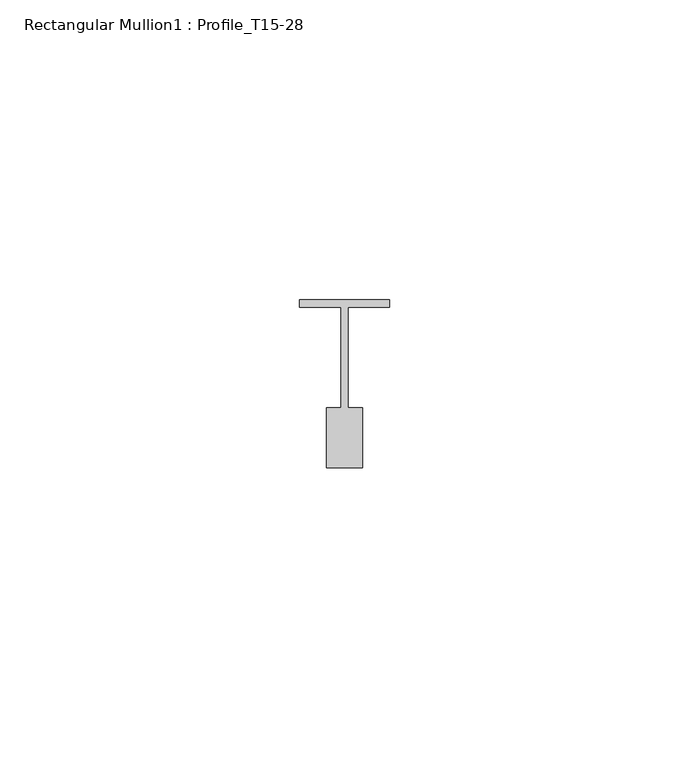
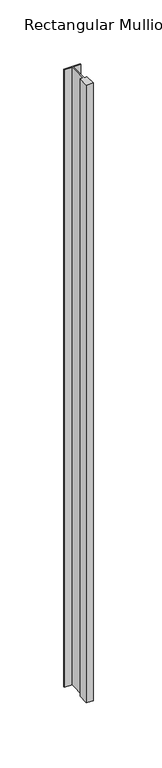
"""IFC4 building model written with IfcOpenShell, lengths in millimetres: member geometry, Rectangular Mullion1 : Profile_T15-28."""

import ifcopenshell
import ifcopenshell.guid

model = None  # the IFC model being written
_history = None  # IfcOwnerHistory: only IFC2X3 demands one
_inside = {}  # id of a spatial element -> (the spatial element, [elements in it])
_under = {}  # id of a project, library or spatial element -> (it, [spatial elements below it])
_declared = {}  # id of a project -> (the project, [libraries it declares])
_typed = {}  # id of a type object -> (the type object, [elements of that type])
_made_of = {}  # id of a material, layer set ... -> (it, [elements and type objects made of it])


def new_model(schema):
    """Start an empty IFC model of exactly this schema.

    Asked for "IFC4X3", IfcOpenShell would pick the latest addendum, in which some entities
    have other attributes; the version numbers below select the first issue.
    IFC2X3 requires an IfcOwnerHistory on every rooted entity: one is made here for all.
    """
    global model, _history
    if schema == "IFC4X3":
        model = ifcopenshell.file(schema_version=(4, 3, 0, 0))
    else:
        model = ifcopenshell.file(schema=schema)
    _inside.clear()
    _under.clear()
    _declared.clear()
    _typed.clear()
    _made_of.clear()
    _history = None
    if model.schema == "IFC2X3":
        org = make("IfcOrganization", Name="unknown")
        user = make(
            "IfcPersonAndOrganization",
            ThePerson=make("IfcPerson", FamilyName="unknown"),
            TheOrganization=org,
        )
        app = make(
            "IfcApplication",
            ApplicationDeveloper=org,
            Version="unknown",
            ApplicationFullName="unknown",
            ApplicationIdentifier="unknown",
        )
        _history = make(
            "IfcOwnerHistory",
            OwningUser=user,
            OwningApplication=app,
            ChangeAction="ADDED",
            CreationDate=0,
        )
    return model


def make(cls, **values):
    """One entity of the class cls with the attributes given. An attribute that is None is left unset."""
    return model.create_entity(
        cls, **{name: value for name, value in values.items() if value is not None}
    )


def rooted(cls, **values):
    """An entity with a GlobalId (a new one), such as an element, a storey or a relation."""
    return make(cls, GlobalId=ifcopenshell.guid.new(), OwnerHistory=_history, **values)


def si_unit(unit_type, name, prefix=None):
    """IfcSIUnit, for example si_unit("LENGTHUNIT", "METRE", prefix="MILLI")."""
    return make("IfcSIUnit", UnitType=unit_type, Prefix=prefix, Name=name)


def assignment(units):
    """IfcUnitAssignment: the units of a project."""
    return None if units is None else make("IfcUnitAssignment", Units=units)


def point(xyz):
    """IfcCartesianPoint."""
    return None if xyz is None else make("IfcCartesianPoint", Coordinates=xyz)


def direction(xyz):
    """IfcDirection."""
    return None if xyz is None else make("IfcDirection", DirectionRatios=xyz)


def frame(location, z_axis=None, x_axis=None):
    """IfcAxis2Placement3D, a coordinate frame: its origin and axes. An axis left out is left unset."""
    return make(
        "IfcAxis2Placement3D",
        Location=point(location),
        Axis=direction(z_axis),
        RefDirection=direction(x_axis),
    )


def origin():
    """The frame at (0, 0, 0) with its axes left unset."""
    return frame((0.0, 0.0, 0.0))


def place(relative_to, where):
    """IfcLocalPlacement: puts the frame where relative to a parent placement (None: the world)."""
    return make(
        "IfcLocalPlacement", PlacementRelTo=relative_to, RelativePlacement=where
    )


def context(
    kind, dimensions, precision=None, world=None, true_north=None, identifier=None
):
    """IfcGeometricRepresentationContext, for example the 3D "Model" context."""
    return make(
        "IfcGeometricRepresentationContext",
        ContextIdentifier=identifier,
        ContextType=kind,
        CoordinateSpaceDimension=dimensions,
        Precision=precision,
        WorldCoordinateSystem=world,
        TrueNorth=true_north,
    )


def project(units=None, contexts=None):
    """IfcProject with its units and contexts."""
    return rooted(
        "IfcProject",
        Name="project",
        RepresentationContexts=contexts,
        UnitsInContext=assignment(units),
    )


def spatial(cls, under=None, at=None, **own):
    """A site, building, storey or space (cls), placed at a placement, below another one or the project."""
    s = rooted(cls, ObjectPlacement=at, **own)
    if under is not None:
        _under.setdefault(under.id(), (under, []))[1].append(s)
    return s


def polyline(points):
    """IfcPolyline through the points."""
    return make("IfcPolyline", Points=[point(p) for p in points])


def outline(outer, holes=None, kind="AREA"):
    """IfcArbitraryClosedProfileDef: a profile drawn as a closed curve; with holes, ...WithVoids."""
    if holes is None:
        return make("IfcArbitraryClosedProfileDef", ProfileType=kind, OuterCurve=outer)
    return make(
        "IfcArbitraryProfileDefWithVoids",
        ProfileType=kind,
        OuterCurve=outer,
        InnerCurves=holes,
    )


def extrude(swept, where, along, depth):
    """IfcExtrudedAreaSolid: the profile swept, set in the frame where, extruded along a direction by depth."""
    return make(
        "IfcExtrudedAreaSolid",
        SweptArea=swept,
        Position=where,
        ExtrudedDirection=direction(along),
        Depth=depth,
    )


def shape(context_of_items, identifier, shape_type, items):
    """IfcShapeRepresentation: the items that make up one representation, for example the "Body"."""
    return make(
        "IfcShapeRepresentation",
        ContextOfItems=context_of_items,
        RepresentationIdentifier=identifier,
        RepresentationType=shape_type,
        Items=items,
    )


def source(mapping_origin, context_of_items, identifier, shape_type, items):
    """IfcRepresentationMap: a shape defined once, which mapped items show again and again."""
    return make(
        "IfcRepresentationMap",
        MappingOrigin=mapping_origin,
        MappedRepresentation=shape(context_of_items, identifier, shape_type, items),
    )


def transform(
    local_origin,
    x_axis=None,
    y_axis=None,
    z_axis=None,
    scale=None,
    scale2=None,
    scale3=None,
    uniform=True,
):
    """IfcCartesianTransformationOperator3D, or its non-uniform kind. x_axis, y_axis, z_axis: its Axis1, 2, 3."""
    if uniform:
        return make(
            "IfcCartesianTransformationOperator3D",
            Axis1=direction(x_axis),
            Axis2=direction(y_axis),
            LocalOrigin=point(local_origin),
            Scale=scale,
            Axis3=direction(z_axis),
        )
    return make(
        "IfcCartesianTransformationOperator3DnonUniform",
        Axis1=direction(x_axis),
        Axis2=direction(y_axis),
        LocalOrigin=point(local_origin),
        Scale=scale,
        Axis3=direction(z_axis),
        Scale2=scale2,
        Scale3=scale3,
    )


def mapped(mapping_source, mapping_target):
    """IfcMappedItem: shows the shape of a source again, moved by a transform."""
    return make(
        "IfcMappedItem", MappingSource=mapping_source, MappingTarget=mapping_target
    )


def made_of(thing, what):
    """Note that an element or type object is made of a material, layer set ...; save() writes the relation."""
    if what is not None:
        _made_of.setdefault(what.id(), (what, []))[1].append(thing)
    return thing


def element(
    cls,
    number,
    at=None,
    inside=None,
    cuts=None,
    type_object=None,
    material=None,
    context=None,
    identifier="Body",
    shape_type=None,
    held_by="IfcProductDefinitionShape",
    body=None,
    shapes=None,
    **own,
):
    """One element of the class cls, such as IfcWall. Its Tag is "e" and its number.

    at: its placement. inside: the storey or other place that contains it. cuts: it is an
    opening in that element (IfcRelVoidsElement). A single representation is given by context,
    identifier, shape_type and body (its items); several are given by shapes. held_by: the class
    of the entity that holds the representations. save() writes the other relations.
    """
    e = rooted(cls, Tag="e%d" % number, ObjectPlacement=at, **own)
    if body is not None:
        shapes = [shape(context, identifier, shape_type, body)]
    if shapes is not None:
        e.Representation = make(held_by, Representations=shapes)
    if inside is not None:
        _inside.setdefault(inside.id(), (inside, []))[1].append(e)
    if cuts is not None:
        rooted(
            "IfcRelVoidsElement", RelatingBuildingElement=cuts, RelatedOpeningElement=e
        )
    if type_object is not None:
        _typed.setdefault(type_object.id(), (type_object, []))[1].append(e)
    return made_of(e, material)


def aggregate(whole, parts):
    """IfcRelAggregates: a whole, such as a stair, and the parts it consists of."""
    return rooted("IfcRelAggregates", RelatingObject=whole, RelatedObjects=parts)


def save(model, path):
    """Write the relations noted so far, then the file.

    IfcRelAggregates (storeys below a building ...), IfcRelContainedInSpatialStructure (elements
    in a storey), IfcRelDefinesByType, IfcRelAssociatesMaterial and IfcRelDeclares: one each for
    every whole, place, type object, material and project.
    """
    for whole, parts in _under.values():
        aggregate(whole, parts)
    for where, things in _inside.values():
        rooted(
            "IfcRelContainedInSpatialStructure",
            RelatedElements=things,
            RelatingStructure=where,
        )
    for kind, things in _typed.values():
        rooted("IfcRelDefinesByType", RelatedObjects=things, RelatingType=kind)
    for what, things in _made_of.values():
        rooted("IfcRelAssociatesMaterial", RelatedObjects=things, RelatingMaterial=what)
    for by, libraries in _declared.values():
        rooted("IfcRelDeclares", RelatingContext=by, RelatedDefinitions=libraries)
    model.write(path)


def rectangular_mullion1_profile_t15_28_63bec351(model_context):
    return source(origin(), model_context, "Body", "SweptSolid", [
        extrude(outline(polyline([(-7.5, 1.5), (7.5, 1.5), (7.5, 0.25), (0.6, 0.25), (0.6, -16.5), (3.0, -16.5), (3.0, -26.5), (-3.0, -26.5), (-3.0, -16.5), (-0.6, -16.5), (-0.6, 0.25), (-7.5, 0.25), (-7.5, 1.5)])), frame((0.0, 0.0, -592.5000003), z_axis=(0.0, 0.0, 1.0), x_axis=(1.0, 0.0, 0.0)), (0.0, 0.0, 1.0), 592.5000003),
    ])


if __name__ == "__main__":
    model = new_model("IFC4")
    model_context = context("Model", 3, world=origin())
    ifc_project = project(units=[si_unit("LENGTHUNIT", "METRE", prefix="MILLI")], contexts=[model_context])
    site = spatial("IfcSite", under=ifc_project)
    building = spatial("IfcBuilding", under=site)
    placement = place(None, origin())
    rectangular_mullion1_profile_t15_28_shape = rectangular_mullion1_profile_t15_28_63bec351(model_context)
    element("IfcMember", 1, ObjectType="Rectangular Mullion1 : Profile_T15-28", at=placement, inside=building, context=model_context, shape_type="MappedRepresentation", body=[
        mapped(rectangular_mullion1_profile_t15_28_shape, transform((0.0, 0.0, 0.0), x_axis=(1.0, 0.0, 0.0), y_axis=(0.0, 1.0, 0.0), z_axis=(0.0, 0.0, 1.0))),
    ])
    save(model, "model.ifc")
